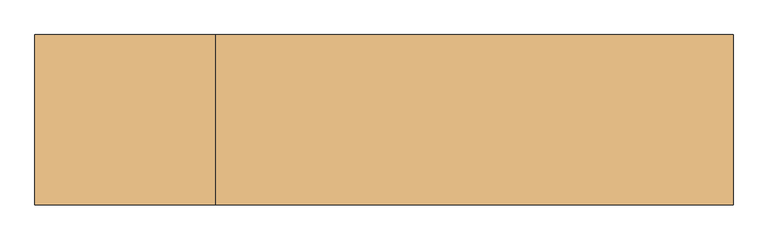
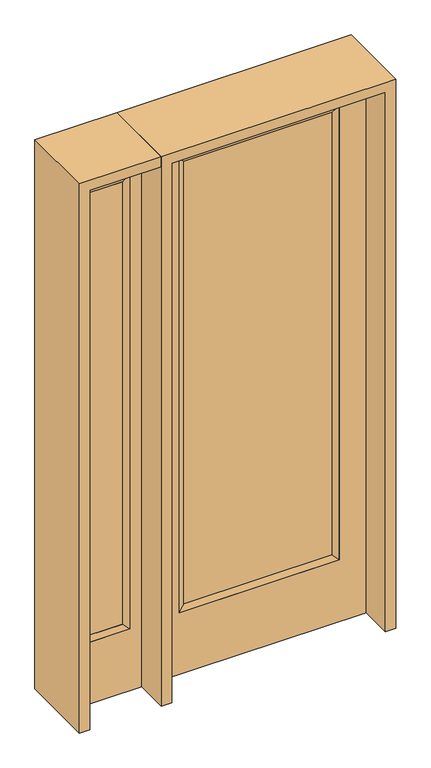
"""IFC4 building model written with IfcOpenShell, lengths in millimetres: door geometry."""

from ifc_helpers import new_model, si_unit, frame, origin, place, context, project, spatial, polyline, outline, extrude, faceted_brep, source, transform, mapped, element, save


def door_32eef43f(model_context):
    return source(origin(), model_context, "Body", "SolidModel", [
        extrude(outline(polyline([(316.3824, -12.7039749), (-316.3824, -12.7039749), (-316.3824, 14.2875), (316.3824, 14.2875), (316.3824, -12.7039749)])), frame((0.0, 0.0, 304.8), z_axis=(0.0, 0.0, 1.0), x_axis=(1.0, 0.0, 0.0)), (0.0, 0.0, 1.0), 2000.25),
        faceted_brep([(316.3824, 14.2875, 2305.05), (341.7824, 22.225, 2330.45), (341.7824, 22.225, 279.4), (316.3824, 14.2875, 304.8), (341.7824, -22.225, 2330.45), (341.7824, -22.225, 279.4), (-341.7824, 22.225, 279.4), (-316.3824, 14.2875, 304.8), (316.3824, -12.7039749, 2305.05), (316.3824, -12.7039749, 304.8), (-316.3824, -12.7039749, 304.8), (-341.7824, -22.225, 279.4), (-341.7824, 22.225, 2330.45), (-316.3824, 14.2875, 2305.05), (-316.3824, -12.7039749, 2305.05), (-341.7824, -22.225, 2330.45)], [[[0, 1, 2, 3]], [[1, 4, 5, 2]], [[3, 2, 6, 7]], [[8, 0, 3, 9]], [[9, 3, 7, 10]], [[4, 8, 9, 5]], [[5, 9, 10, 11]], [[2, 5, 11, 6]], [[7, 6, 12, 13]], [[10, 7, 13, 14]], [[11, 10, 14, 15]], [[6, 11, 15, 12]], [[13, 12, 1, 0]], [[14, 13, 0, 8]], [[15, 14, 8, 4]], [[12, 15, 4, 1]]]),
        extrude(outline(polyline([(0.0, -457.2), (0.0, 457.2), (2438.4, 457.2), (2438.4, -457.2), (0.0, -457.2)]), holes=[polyline([(279.4, -341.7824), (2330.45, -341.7824), (2330.45, 341.7824), (279.4, 341.7824), (279.4, -341.7824)])]), frame((0.0, -22.225, 0.0), z_axis=(0.0, 1.0, 0.0), x_axis=(0.0, 0.0, 1.0)), (0.0, 0.0, 1.0), 44.45),
        faceted_brep([(-552.45, 20.6375, 2330.45), (-552.45, -20.6375, 2330.45), (-552.45, -20.6375, 279.4), (-552.45, 20.6375, 279.4), (-577.85, -12.7, 2305.05), (-577.85, -12.7, 304.8), (-755.65, -20.6375, 279.4), (-755.65, 20.6375, 279.4), (-577.85, 12.7, 2305.05), (-577.85, 12.7, 304.8), (-730.25, 12.7, 304.8), (-730.25, -12.7, 304.8), (-755.65, -20.6375, 2330.45), (-755.65, 20.6375, 2330.45), (-730.25, 12.7, 2305.05), (-730.25, -12.7, 2305.05)], [[[0, 1, 2, 3]], [[1, 4, 5, 2]], [[3, 2, 6, 7]], [[8, 0, 3, 9]], [[9, 3, 7, 10]], [[4, 8, 9, 5]], [[5, 9, 10, 11]], [[2, 5, 11, 6]], [[7, 6, 12, 13]], [[10, 7, 13, 14]], [[11, 10, 14, 15]], [[6, 11, 15, 12]], [[13, 12, 1, 0]], [[14, 13, 0, 8]], [[15, 14, 8, 4]], [[12, 15, 4, 1]]]),
        extrude(outline(polyline([(0.0, -806.45), (0.0, -501.65), (2438.4, -501.65), (2438.4, -806.45), (0.0, -806.45)]), holes=[polyline([(2330.45, -552.45), (279.4, -552.45), (279.4, -755.65), (2330.45, -755.65), (2330.45, -552.45)])]), frame((0.0, -20.6375, 0.0), z_axis=(0.0, 1.0, 0.0), x_axis=(0.0, 0.0, 1.0)), (0.0, 0.0, 1.0), 41.275),
        extrude(outline(polyline([(-577.85, -12.7), (-730.25, -12.7), (-730.25, 12.7), (-577.85, 12.7), (-577.85, -12.7)])), frame((0.0, 0.0, 301.625), z_axis=(0.0, 0.0, 1.0), x_axis=(1.0, 0.0, 0.0)), (0.0, 0.0, 1.0), 2003.425),
        extrude(outline(polyline([(2438.4, -501.65), (2482.85, -501.65), (2482.85, -850.9), (0.0, -850.9), (0.0, -806.45), (2438.4, -806.45), (2438.4, -501.65)])), frame((0.0, -165.1, 0.0), z_axis=(0.0, 1.0, 0.0), x_axis=(0.0, 0.0, 1.0)), (0.0, 0.0, 1.0), 330.2),
        extrude(outline(polyline([(2482.85, -501.65), (0.0, -501.65), (0.0, -457.2), (2438.4, -457.2), (2438.4, 457.2), (0.0, 457.2), (0.0, 501.65), (2482.85, 501.65), (2482.85, -501.65)])), frame((0.0, -165.1, 0.0), z_axis=(0.0, 1.0, 0.0), x_axis=(0.0, 0.0, 1.0)), (0.0, 0.0, 1.0), 330.2),
    ])


if __name__ == "__main__":
    model = new_model("IFC4")
    model_context = context("Model", 3, world=origin())
    ifc_project = project(units=[si_unit("LENGTHUNIT", "METRE", prefix="MILLI")], contexts=[model_context])
    site = spatial("IfcSite", under=ifc_project)
    building = spatial("IfcBuilding", under=site)
    placement = place(None, origin())
    door_shape = door_32eef43f(model_context)
    element("IfcDoor", 1, at=placement, inside=building, context=model_context, shape_type="MappedRepresentation", body=[
        mapped(door_shape, transform((0.0, 0.0, 0.0), x_axis=(1.0, 0.0, 0.0), y_axis=(0.0, 1.0, 0.0), z_axis=(0.0, 0.0, 1.0))),
    ])
    save(model, "model.ifc")
